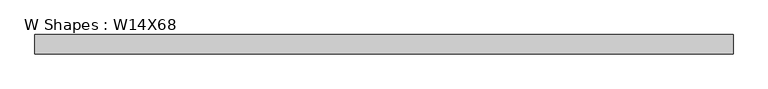
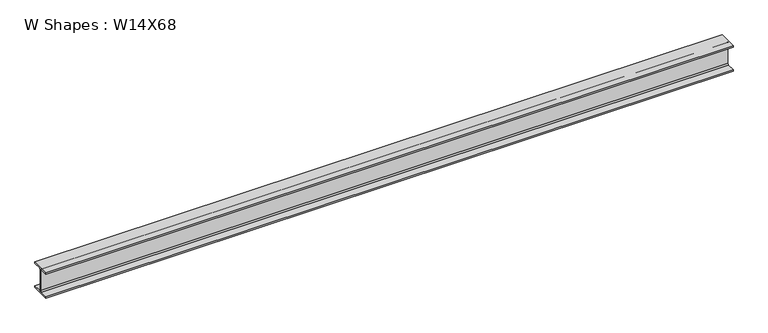
"""IFC4 building model written with IfcOpenShell, lengths in millimetres: beam geometry, W Shapes : W14X68."""

from ifc_helpers import new_model, si_unit, point, frame, frame_2d, origin, place, context, project, spatial, polyline, circle_curve, trimmed, segment, composite_curve, outline, extrude, source, transform, mapped, element, save


def w_shapes_w14x68_d8c465a9(model_context):
    return source(origin(), model_context, "Body", "SweptSolid", [
        extrude(outline(composite_curve([segment(polyline([(127.0, -159.512), (127.0, -177.8), (-127.0, -177.8), (-127.0, -159.512), (-20.2565, -159.512)]), True, "CONTINUOUS"), segment(trimmed(circle_curve(frame_2d((-20.2565, -144.526)), 14.986), [point((-20.2565, -159.512))], [point((-5.2705, -144.526))], True, "CARTESIAN"), True, "CONTINUOUS"), segment(polyline([(-5.2705, -144.526), (-5.2705, 144.526)]), True, "CONTINUOUS"), segment(trimmed(circle_curve(frame_2d((-20.2565, 144.526)), 14.986), [point((-5.2705, 144.526))], [point((-20.2565, 159.512))], True, "CARTESIAN"), True, "CONTINUOUS"), segment(polyline([(-20.2565, 159.512), (-127.0, 159.512), (-127.0, 177.8), (127.0, 177.8), (127.0, 159.512), (20.2565, 159.512)]), True, "CONTINUOUS"), segment(trimmed(circle_curve(frame_2d((20.2565, 144.526)), 14.986), [point((20.2565, 159.512))], [point((5.2705, 144.526))], True, "CARTESIAN"), True, "CONTINUOUS"), segment(polyline([(5.2705, 144.526), (5.2705, -144.526)]), True, "CONTINUOUS"), segment(trimmed(circle_curve(frame_2d((20.2565, -144.526)), 14.986), [point((5.2705, -144.526))], [point((20.2565, -159.512))], True, "CARTESIAN"), True, "CONTINUOUS"), segment(polyline([(20.2565, -159.512), (127.0, -159.512)]), True, "CONTINUOUS")], self_intersect=False)), frame((-4616.9460937, 0.0, 0.0), z_axis=(1.0, 0.0, 0.0), x_axis=(0.0, 1.0, 0.0)), (0.0, 0.0, 1.0), 9176.2460931),
    ])


if __name__ == "__main__":
    model = new_model("IFC4")
    model_context = context("Model", 3, world=origin())
    ifc_project = project(units=[si_unit("LENGTHUNIT", "METRE", prefix="MILLI")], contexts=[model_context])
    site = spatial("IfcSite", under=ifc_project)
    building = spatial("IfcBuilding", under=site)
    placement = place(None, origin())
    w_shapes_w14x68_shape = w_shapes_w14x68_d8c465a9(model_context)
    element("IfcBeam", 1, ObjectType="W Shapes : W14X68", at=placement, inside=building, context=model_context, shape_type="MappedRepresentation", body=[
        mapped(w_shapes_w14x68_shape, transform((0.0, 0.0, 0.0), x_axis=(1.0, 0.0, 0.0), y_axis=(0.0, 1.0, 0.0), z_axis=(0.0, 0.0, 1.0))),
    ])
    save(model, "model.ifc")
